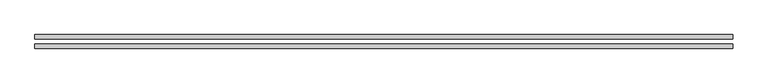
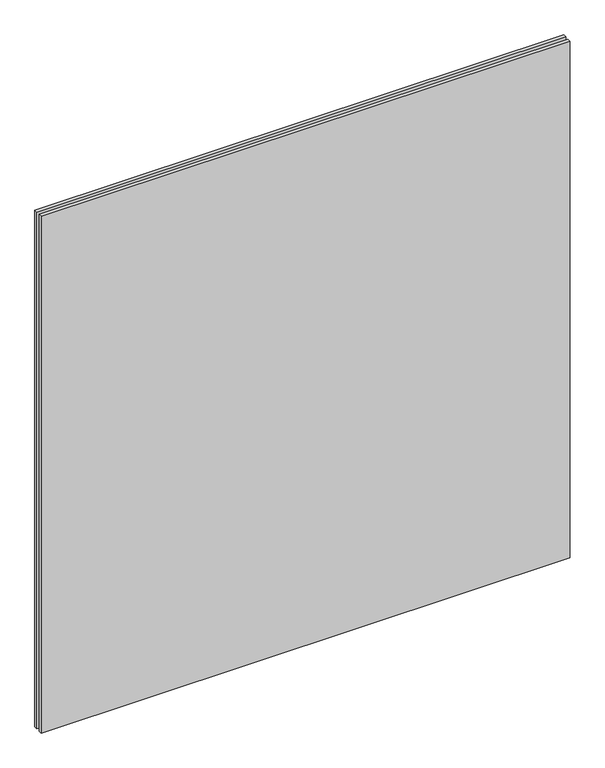
"""IFC4 building model written with IfcOpenShell, lengths in millimetres: plate geometry."""

from ifc_helpers import new_model, si_unit, origin, origin_with_axes, place, context, project, spatial, polyline, outline, extrude, source, transform, mapped, element, save


def plate_02c9c52a(model_context):
    return source(origin(), model_context, "Body", "SweptSolid", [
        extrude(outline(polyline([(620.0, -40.8), (-620.0, -40.8), (-620.0, -32.8), (620.0, -32.8), (620.0, -40.8)])), origin_with_axes(), (0.0, 0.0, 1.0), 1280.0),
        extrude(outline(polyline([(620.0, -23.8), (-620.0, -23.8), (-620.0, -15.8), (620.0, -15.8), (620.0, -23.8)])), origin_with_axes(), (0.0, 0.0, 1.0), 1280.0),
    ])


if __name__ == "__main__":
    model = new_model("IFC4")
    model_context = context("Model", 3, world=origin())
    ifc_project = project(units=[si_unit("LENGTHUNIT", "METRE", prefix="MILLI")], contexts=[model_context])
    site = spatial("IfcSite", under=ifc_project)
    building = spatial("IfcBuilding", under=site)
    placement = place(None, origin())
    plate_shape = plate_02c9c52a(model_context)
    element("IfcPlate", 1, at=placement, inside=building, context=model_context, shape_type="MappedRepresentation", body=[
        mapped(plate_shape, transform((0.0, 0.0, 0.0), x_axis=(1.0, 0.0, 0.0), y_axis=(0.0, 1.0, 0.0), z_axis=(0.0, 0.0, 1.0))),
    ])
    save(model, "model.ifc")
